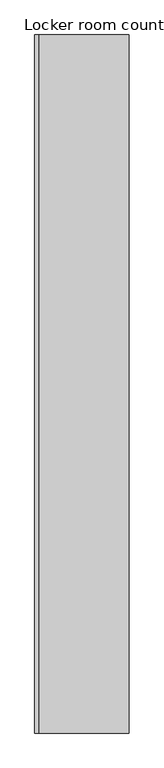
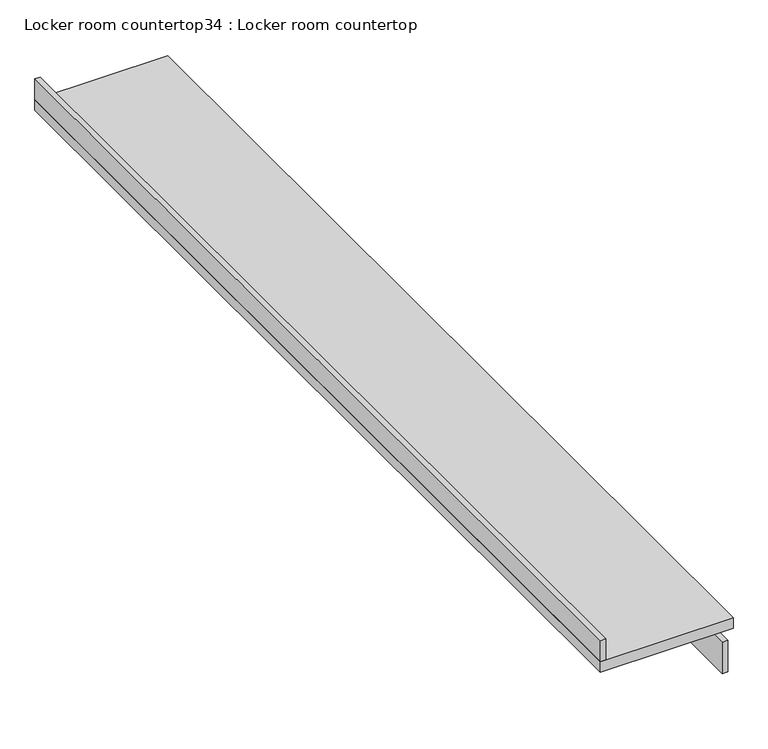
"""IFC4 building model written with IfcOpenShell, lengths in millimetres: furniture geometry, Locker room countertop34 : Locker room countertop."""

from ifc_helpers import new_model, si_unit, frame, origin, place, context, project, spatial, polyline, outline, extrude, source, transform, mapped, element, save


def locker_room_countertop34_locker_room_countertop_25c2f7cd(model_context):
    return source(origin(), model_context, "Body", "SweptSolid", [
        extrude(outline(polyline([(240526.6754676, -274345.0301081), (240526.6754676, -278847.1801081), (240501.2754676, -278847.1801081), (240501.2754676, -274345.0301081), (240526.6754676, -274345.0301081)])), frame((0.0, 0.0, 660.4), z_axis=(0.0, 0.0, 1.0), x_axis=(1.0, 0.0, 0.0)), (0.0, 0.0, 1.0), 152.4),
        extrude(outline(polyline([(239967.8754676, -278847.1801081), (239942.4754676, -278847.1801081), (239942.4754676, -274345.0301081), (239967.8754676, -274345.0301081), (239967.8754676, -278847.1801081)])), frame((0.0, 0.0, 914.4), z_axis=(0.0, 0.0, 1.0), x_axis=(1.0, 0.0, 0.0)), (0.0, 0.0, 1.0), 101.6),
        extrude(outline(polyline([(240552.0754676, -278847.1801081), (239942.4754676, -278847.1801081), (239942.4754676, -274345.0301081), (240552.0754676, -274345.0301081), (240552.0754676, -278847.1801081)])), frame((0.0, 0.0, 863.6), z_axis=(0.0, 0.0, 1.0), x_axis=(1.0, 0.0, 0.0)), (0.0, 0.0, 1.0), 50.8),
    ])


if __name__ == "__main__":
    model = new_model("IFC4")
    model_context = context("Model", 3, world=origin())
    ifc_project = project(units=[si_unit("LENGTHUNIT", "METRE", prefix="MILLI")], contexts=[model_context])
    site = spatial("IfcSite", under=ifc_project)
    building = spatial("IfcBuilding", under=site)
    placement = place(None, origin())
    locker_room_countertop34_locker_room_countertop_shape = locker_room_countertop34_locker_room_countertop_25c2f7cd(model_context)
    element("IfcFurniture", 1, ObjectType="Locker room countertop34 : Locker room countertop", at=placement, inside=building, context=model_context, shape_type="MappedRepresentation", body=[
        mapped(locker_room_countertop34_locker_room_countertop_shape, transform((0.0, 0.0, 0.0), x_axis=(1.0, 0.0, 0.0), y_axis=(0.0, 1.0, 0.0), z_axis=(0.0, 0.0, 1.0))),
    ])
    save(model, "model.ifc")
